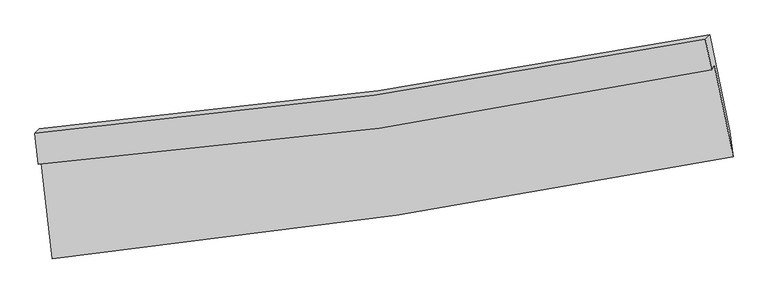
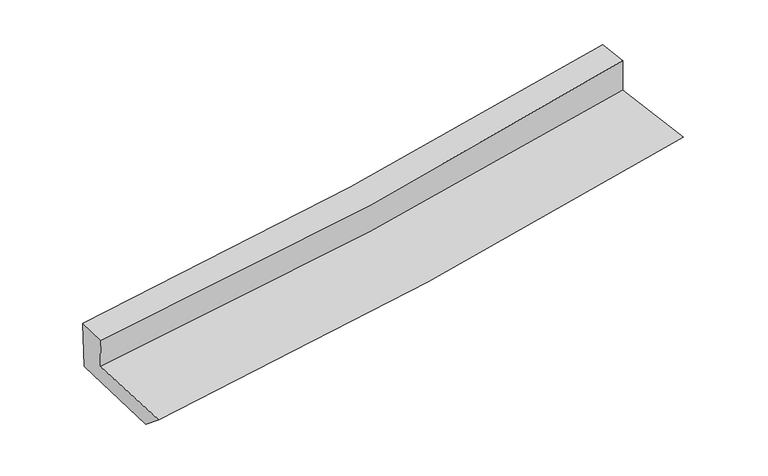
"""IFC4 building model written with IfcOpenShell, lengths in millimetres: proxy geometry."""

from ifc_helpers import new_model, si_unit, frame, origin, place, context, project, spatial, source, transform, mapped, element, save
from ifc_brep_helpers import plane_surface, spline_curve, spline_surface, advanced_brep


def generic_models_ce79bb42(model_context):
    return source(origin(), model_context, "Body", "AdvancedBrep", [
        advanced_brep(
        [(-2301.9975038, -1816.475448, 1752.0497006), (-2224.7958168, -2491.5521843, 1684.8285956), (2363.38374, -1804.912687, 2049.4189778), (2237.0854435, -1183.2622461, 2116.8716669), (-2318.2715056, -1853.7480864, 2003.1344277), (2218.5828805, -1218.7831161, 2393.2950537), (-2342.4051837, -1645.8159025, 2028.2386609), (2176.5873245, -1012.6694635, 2416.9700072), (-2313.9740385, -1616.9876771, 1637.4609379), (2207.1410672, -982.9847902, 2021.5058724), (-2231.4187924, -2323.996304, 1545.9455768), (2339.705501, -1633.6093385, 1946.7728029)],
        [
            (0, 1),
            (1, 2, spline_curve(3, [(-2224.7958168, -2491.5521843, 1684.8285956), (-1449.183157019, -2411.447281301, 1740.695860717), (-676.27270276, -2313.631910771, 1799.251935074), (853.043153188, -2084.245252085, 1920.859009019), (1609.525884399, -1953.180790336, 1983.833062211), (2363.38374, -1804.912687, 2049.4189778)], [4, 2, 4], [0.0, 7.645828304306991, 15.1814609554452])),
            (2, 3),
            (3, 0, spline_curve(3, [(2237.0854435, -1183.2622461, 2116.8716669), (1492.265195722, -1330.837495237, 2053.632793428), (744.366273095, -1457.165222652, 1991.821760032), (-768.570677081, -1668.862250229, 1870.172373331), (-1533.699403305, -1753.605590468, 1810.376084555), (-2301.9975038, -1816.475448, 1752.0497006)], [4, 2, 4], [0.0, 7.535632651138209, 15.1814609554452])),
            (4, 0),
            (3, 5),
            (5, 4, spline_curve(3, [(2218.5828805, -1218.7831161, 2393.2950537), (1475.327762414, -1374.621578557, 2326.529910832), (728.400111723, -1505.254771139, 2260.861932477), (-783.776489263, -1717.652318513, 2130.776067743), (-1549.133634126, -1798.674115892, 2066.390503928), (-2318.2715056, -1853.7480864, 2003.1344277)], [4, 2, 4], [0.0, 7.491506711662357, 15.092563810601787])),
            (6, 4),
            (5, 7),
            (7, 6, spline_curve(3, [(2176.5873245, -1012.6694635, 2416.9700072), (1434.917914597, -1158.398139178, 2351.610129462), (690.255833044, -1283.790394854, 2286.767267373), (-815.986837955, -1495.438326864, 2157.17492048), (-1577.655592251, -1581.094884148, 2092.44066689), (-2342.4051837, -1645.8159025, 2028.2386609)], [4, 2, 4], [0.0, 7.476815820545924, 15.062967199380148])),
            (8, 6),
            (7, 9),
            (9, 8, spline_curve(3, [(2207.1410672, -982.9847902, 2021.5058724), (1465.295008249, -1129.195068679, 1955.266944106), (720.369635982, -1254.9002118, 1890.366252074), (-786.578014635, -1466.838596791, 1762.311849048), (-1548.691011228, -1552.467749386, 1699.197562868), (-2313.9740385, -1616.9876771, 1637.4609379)], [4, 2, 4], [0.0, 7.462842301739668, 15.034815823113776])),
            (10, 8),
            (9, 11),
            (11, 10, spline_curve(3, [(2339.705501, -1633.6093385, 1946.7728029), (1588.227763808, -1775.420983857, 1871.356951802), (834.344444137, -1903.541556194, 1800.456197325), (-689.292784411, -2134.073889015, 1666.714105526), (-1459.117562266, -2236.082305297, 1604.005784703), (-2231.4187924, -2323.996304, 1545.9455768)], [4, 2, 4], [0.0, 7.5111774598540375, 15.132192957809657])),
            (1, 10),
            (11, 2),
        ],
        [
            spline_surface(3, 3, [[(-2301.9975038, -1816.475448, 1752.0497006), (-1533.699403417, -1753.605590356, 1810.376084546), (-768.570677054, -1668.862250294, 1870.172373273), (744.366273068, -1457.165222588, 1991.821760089), (1492.265195782, -1330.837495306, 2053.632793499), (2237.0854435, -1183.2622461, 2116.8716669)], [(-2276.263608126, -2041.501026779, 1729.642665592), (-1505.527321267, -1972.886154048, 1787.149343287), (-737.804685584, -1883.785470428, 1846.532227217), (780.591899738, -1666.191899116, 1968.167509725), (1531.352091961, -1538.285260348, 2030.366216366), (2279.184875662, -1390.479059743, 2094.387437193)], [(-2250.529712474, -2266.526605521, 1707.235630608), (-1477.355239139, -2192.166717705, 1763.92260205), (-707.038694116, -2098.708690556, 1822.892081157), (816.817526405, -1875.218575638, 1944.513259356), (1570.438988155, -1745.73302536, 2007.099639253), (2321.284307838, -1597.695873357, 2071.903207507)], [(-2224.7958168, -2491.5521843, 1684.8285956), (-1449.183156989, -2411.447281398, 1740.695860791), (-676.272702646, -2313.63191069, 1799.251935101), (853.043153075, -2084.245252165, 1920.859008992), (1609.525884334, -1953.180790401, 1983.83306212), (2363.38374, -1804.912687, 2049.4189778)]], [4, 4], [4, 2, 4], [0.0, 2.1253944669648845], [0.0, 7.645828304306991, 15.1814609554452]),
            spline_surface(3, 3, [[(-2318.2715056, -1853.7480864, 2003.1344277), (-1549.133634167, -1798.674115978, 2066.390504042), (-783.776489324, -1717.652318506, 2130.776067651), (728.400111783, -1505.254771145, 2260.861932568), (1475.327762306, -1374.621578537, 2326.529910923), (2218.5828805, -1218.7831161, 2393.2950537)], [(-2312.846838333, -1841.323873582, 1919.439518688), (-1543.988890584, -1783.651274086, 1981.052364232), (-778.707885244, -1701.388962445, 2043.908169538), (733.722165535, -1489.224921636, 2171.181875087), (1480.973573476, -1360.02688414, 2235.5642051), (2224.750401511, -1206.942826113, 2301.153924751)], [(-2307.422171067, -1828.899660818, 1835.744609612), (-1538.844147001, -1768.628432248, 1895.714224356), (-773.639281134, -1685.125606355, 1957.040271387), (739.044219316, -1473.195072097, 2081.501817569), (1486.619384612, -1345.432189703, 2144.598499323), (2230.917922489, -1195.102536087, 2209.012795849)], [(-2301.9975038, -1816.475448, 1752.0497006), (-1533.699403417, -1753.605590356, 1810.376084546), (-768.570677054, -1668.862250294, 1870.172373273), (744.366273068, -1457.165222588, 1991.821760089), (1492.265195782, -1330.837495306, 2053.632793499), (2237.0854435, -1183.2622461, 2116.8716669)]], [4, 4], [4, 2, 4], [0.0, 0.8845365745127252], [0.0, 7.60105709893943, 15.092563810601787]),
            spline_surface(3, 3, [[(-2342.4051837, -1645.8159025, 2028.2386609), (-1577.655592217, -1581.094884223, 2092.440666995), (-815.986837834, -1495.438326866, 2157.174920455), (690.255832924, -1283.790394852, 2286.767267398), (1434.917914623, -1158.398139228, 2351.610129338), (2176.5873245, -1012.6694635, 2416.9700072)], [(-2334.360624343, -1715.126630469, 2019.870583167), (-1568.148272876, -1653.62129481, 2083.757279344), (-805.250054986, -1569.509657389, 2148.375302862), (702.970592555, -1357.611853593, 2278.132155797), (1448.38786385, -1230.472618999, 2343.250056534), (2190.585843166, -1081.374014368, 2409.078356034)], [(-2326.316064957, -1784.437358431, 2011.502505433), (-1558.640953508, -1726.147705391, 2075.073891693), (-794.513272171, -1643.580987983, 2139.575685244), (715.685352153, -1431.433312405, 2269.497044169), (1461.857813079, -1302.547098766, 2334.889983727), (2204.584361834, -1150.078565232, 2401.186704866)], [(-2318.2715056, -1853.7480864, 2003.1344277), (-1549.133634167, -1798.674115978, 2066.390504042), (-783.776489324, -1717.652318506, 2130.776067651), (728.400111783, -1505.254771145, 2260.861932568), (1475.327762306, -1374.621578537, 2326.529910923), (2218.5828805, -1218.7831161, 2393.2950537)]], [4, 4], [4, 2, 4], [0.0, 0.7418849803722498], [0.0, 7.5861513788342245, 15.062967199380148]),
            spline_surface(3, 3, [[(-2313.9740385, -1616.9876771, 1637.4609379), (-1548.691011206, -1552.467749262, 1699.197562828), (-786.578014728, -1466.838596825, 1762.311848994), (720.369636074, -1254.900211766, 1890.366252127), (1465.295008126, -1129.195068583, 1955.266944135), (2207.1410672, -982.9847902, 2021.5058724)], [(-2323.451086876, -1626.597085568, 1767.720178879), (-1558.345871519, -1562.010127584, 1830.278597529), (-796.380955775, -1476.371840183, 1893.932872812), (710.331701679, -1264.530272807, 2022.499923883), (1455.16931029, -1138.929425463, 2087.381339201), (2196.956486298, -992.879681298, 2153.327250665)], [(-2332.928135324, -1636.206494032, 1897.979419921), (-1568.000731904, -1571.552505901, 1961.359632294), (-806.183896787, -1485.905083507, 2025.553896636), (700.293767319, -1274.160333812, 2154.633595643), (1445.043612459, -1148.663782348, 2219.495734271), (2186.771905402, -1002.774572402, 2285.148628935)], [(-2342.4051837, -1645.8159025, 2028.2386609), (-1577.655592217, -1581.094884223, 2092.440666995), (-815.986837834, -1495.438326866, 2157.174920455), (690.255832924, -1283.790394852, 2286.767267398), (1434.917914623, -1158.398139228, 2351.610129338), (2176.5873245, -1012.6694635, 2416.9700072)]], [4, 4], [4, 2, 4], [0.0, 1.3050460246647577], [0.0, 7.571973521374108, 15.034815823113776]),
            spline_surface(3, 3, [[(-2231.4187924, -2323.996304, 1545.9455768), (-1459.117562265, -2236.082305312, 1604.005784635), (-689.292784326, -2134.073889067, 1666.714105468), (834.344444053, -1903.541556143, 1800.456197382), (1588.227763908, -1775.420983847, 1871.35695189), (2339.705501, -1633.6093385, 1946.7728029)], [(-2258.937207777, -2088.326761712, 1576.450697184), (-1488.975378589, -2008.210786641, 1635.736377383), (-721.721194457, -1911.662124978, 1698.580019962), (796.352841397, -1687.327774676, 1830.426215616), (1547.250178653, -1560.012345411, 1899.326949307), (2295.517356405, -1416.734489052, 1971.683826069)], [(-2286.455623123, -1852.657219388, 1606.955817516), (-1518.833194883, -1780.339267933, 1667.46697008), (-754.149604598, -1689.250360914, 1730.4459345), (758.36123873, -1471.113993234, 1860.396233894), (1506.272593381, -1344.603707018, 1927.296946718), (2251.329211795, -1199.859639648, 1996.594849231)], [(-2313.9740385, -1616.9876771, 1637.4609379), (-1548.691011206, -1552.467749262, 1699.197562828), (-786.578014728, -1466.838596825, 1762.311848994), (720.369636074, -1254.900211766, 1890.366252127), (1465.295008126, -1129.195068583, 1955.266944135), (2207.1410672, -982.9847902, 2021.5058724)]], [4, 4], [4, 2, 4], [0.0, 2.207702695539452], [0.0, 7.62101549795562, 15.132192957809657]),
            spline_surface(3, 3, [[(-2224.7958168, -2491.5521843, 1684.8285956), (-1449.183156989, -2411.447281398, 1740.695860791), (-676.272702646, -2313.63191069, 1799.251935101), (853.043153075, -2084.245252165, 1920.859008992), (1609.525884334, -1953.180790401, 1983.83306212), (2363.38374, -1804.912687, 2049.4189778)], [(-2227.003475346, -2435.70022419, 1638.53425599), (-1452.494625427, -2352.992289359, 1695.132502062), (-680.612729866, -2253.779236824, 1755.072658551), (846.810250074, -2024.010686833, 1880.72473845), (1602.42651085, -1893.927521541, 1946.341025397), (2355.490993658, -1747.811570824, 2015.203586187)], [(-2229.211133854, -2379.84826411, 1592.23991641), (-1455.806093828, -2294.537297351, 1649.569143364), (-684.952757106, -2193.926562932, 1710.893382018), (840.577347054, -1963.776121475, 1840.590467925), (1595.327137392, -1834.674252707, 1908.848988613), (2347.598247342, -1690.710454676, 1980.988194513)], [(-2231.4187924, -2323.996304, 1545.9455768), (-1459.117562265, -2236.082305312, 1604.005784635), (-689.292784326, -2134.073889067, 1666.714105468), (834.344444053, -1903.541556143, 1800.456197382), (1588.227763908, -1775.420983847, 1871.35695189), (2339.705501, -1633.6093385, 1946.7728029)]], [4, 4], [4, 2, 4], [0.0, 0.7241007145921591], [0.0, 7.680189534539826, 15.24968818399374]),
            plane_surface(frame((2257.0809928, -1306.0369402, 2157.4723968), z_axis=(0.9778809760383405, 0.18893564890887568, 0.08973359055384415), x_axis=(-0.07681607774411767, -0.07463112436348714, 0.9942482011430805))),
            plane_surface(frame((-2288.8104735, -1958.0959337, 1775.2763166), z_axis=(-0.991215494180042, -0.1054000201768475, -0.0798916756873687), x_axis=(-0.11306735164424717, 0.9886978080267816, 0.09845008072720778))),
        ],
        [
            (0, [[1, 2, 3, 4]]),
            (1, [[5, -4, 6, 7]]),
            (2, [[8, -7, 9, 10]]),
            (3, [[11, -10, 12, 13]]),
            (4, [[14, -13, 15, 16]]),
            (5, [[17, -16, 18, -2]]),
            (6, [[-12, -9, -6, -3, -18, -15]]),
            (7, [[-1, -5, -8, -11, -14, -17]]),
        ],
    ),
    ])


if __name__ == "__main__":
    model = new_model("IFC4")
    model_context = context("Model", 3, world=origin())
    ifc_project = project(units=[si_unit("LENGTHUNIT", "METRE", prefix="MILLI")], contexts=[model_context])
    site = spatial("IfcSite", under=ifc_project)
    building = spatial("IfcBuilding", under=site)
    placement = place(None, origin())
    generic_models_shape = generic_models_ce79bb42(model_context)
    element("IfcBuildingElementProxy", 1, Name="Generic Models", at=placement, inside=building, context=model_context, shape_type="MappedRepresentation", body=[
        mapped(generic_models_shape, transform((0.0, 0.0, 0.0), x_axis=(1.0, 0.0, 0.0), y_axis=(0.0, 1.0, 0.0), z_axis=(0.0, 0.0, 1.0))),
    ])
    save(model, "model.ifc")
